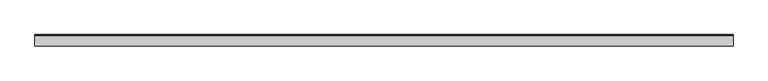
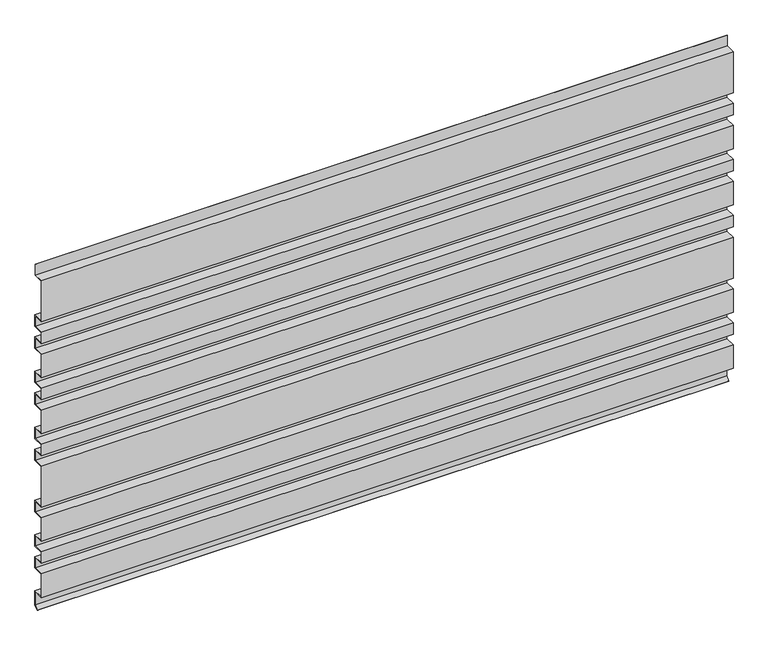
"""IFC4 building model written with IfcOpenShell, lengths in millimetres: plate geometry."""

from ifc_helpers import new_model, si_unit, frame, origin, place, context, project, spatial, polyline, outline, extrude, source, transform, mapped, element, save


def plate_8b786201(model_context):
    return source(origin(), model_context, "Body", "SweptSolid", [
        extrude(outline(polyline([(23.0, 791.0), (23.0, 816.0), (24.0, 816.0), (24.0, 790.0), (1.0, 790.0), (1.0, 695.0), (25.0, 695.0), (25.0, 668.0), (1.0, 668.0), (1.0, 643.0), (25.0, 643.0), (25.0, 616.0), (1.0, 616.0), (1.0, 562.0), (25.0, 562.0), (25.0, 535.0), (1.0, 535.0), (1.0, 510.0), (25.0, 510.0), (25.0, 483.0), (1.0, 483.0), (1.0, 429.0), (25.0, 429.0), (25.0, 402.0), (1.0, 402.0), (1.0, 377.0), (25.0, 377.0), (25.0, 350.0), (1.0, 350.0), (1.0, 255.0), (25.0, 255.0), (25.0, 228.0), (1.0, 228.0), (1.0, 174.0), (25.0, 174.0), (25.0, 147.0), (1.0, 147.0), (1.0, 122.0), (25.0, 122.0), (25.0, 95.0), (1.0, 95.0), (1.0, 41.0), (25.0, 41.0), (25.0, 7.5852005), (16.6903838, -0.7078135), (15.9839845, 0.0), (24.0, 8.0), (24.0, 40.0), (0.0, 40.0), (0.0, 96.0), (24.0, 96.0), (24.0, 121.0), (0.0, 121.0), (0.0, 148.0), (24.0, 148.0), (24.0, 173.0), (0.0, 173.0), (0.0, 229.0), (24.0, 229.0), (24.0, 254.0), (0.0, 254.0), (0.0, 351.0), (24.0, 351.0), (24.0, 376.0), (0.0, 376.0), (0.0, 403.0), (24.0, 403.0), (24.0, 428.0), (0.0, 428.0), (0.0, 484.0), (24.0, 484.0), (24.0, 509.0), (0.0, 509.0), (0.0, 536.0), (24.0, 536.0), (24.0, 561.0), (0.0, 561.0), (0.0, 617.0), (24.0, 617.0), (24.0, 642.0), (0.0, 642.0), (0.0, 669.0), (24.0, 669.0), (24.0, 694.0), (0.0, 694.0), (0.0, 791.0), (23.0, 791.0)])), frame((-776.0, 0.0, 0.0), z_axis=(1.0, 0.0, 0.0), x_axis=(0.0, 1.0, 0.0)), (0.0, 0.0, 1.0), 1552.0),
    ])


if __name__ == "__main__":
    model = new_model("IFC4")
    model_context = context("Model", 3, world=origin())
    ifc_project = project(units=[si_unit("LENGTHUNIT", "METRE", prefix="MILLI")], contexts=[model_context])
    site = spatial("IfcSite", under=ifc_project)
    building = spatial("IfcBuilding", under=site)
    placement = place(None, origin())
    plate_shape = plate_8b786201(model_context)
    element("IfcPlate", 1, at=placement, inside=building, context=model_context, shape_type="MappedRepresentation", body=[
        mapped(plate_shape, transform((0.0, 0.0, 0.0), x_axis=(1.0, 0.0, 0.0), y_axis=(0.0, 1.0, 0.0), z_axis=(0.0, 0.0, 1.0))),
    ])
    save(model, "model.ifc")
